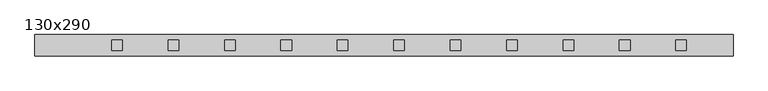
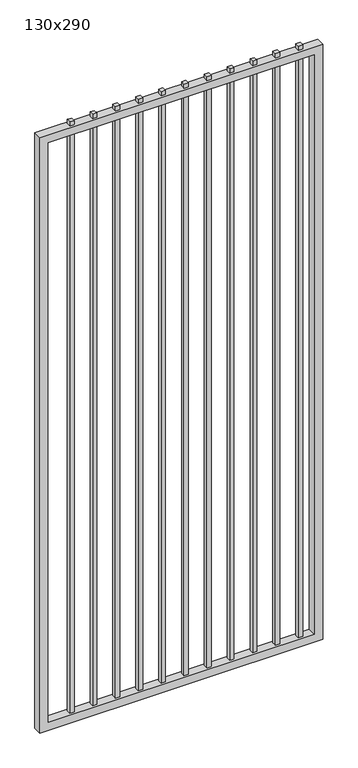
"""IFC4 building model written with IfcOpenShell, lengths in millimetres: proxy geometry, 130x290."""

from ifc_helpers import new_model, si_unit, frame, origin, place, context, project, spatial, polyline, outline, extrude, source, transform, mapped, element, save


def proxy_130x290_79da9d78(model_context):
    return source(origin(), model_context, "Body", "SweptSolid", [
        extrude(outline(polyline([(1203.325, -9.525), (1184.275, -9.525), (1184.275, 9.525), (1203.325, 9.525), (1203.325, -9.525)])), frame((0.0, 0.0, 139.7), z_axis=(0.0, 0.0, 1.0), x_axis=(1.0, 0.0, 0.0)), (0.0, 0.0, 1.0), 2780.0),
        extrude(outline(polyline([(1101.725, -9.525), (1082.675, -9.525), (1082.675, 9.525), (1101.725, 9.525), (1101.725, -9.525)])), frame((0.0, 0.0, 139.7), z_axis=(0.0, 0.0, 1.0), x_axis=(1.0, 0.0, 0.0)), (0.0, 0.0, 1.0), 2780.0),
        extrude(outline(polyline([(1000.125, -9.525), (981.075, -9.525), (981.075, 9.525), (1000.125, 9.525), (1000.125, -9.525)])), frame((0.0, 0.0, 139.7), z_axis=(0.0, 0.0, 1.0), x_axis=(1.0, 0.0, 0.0)), (0.0, 0.0, 1.0), 2780.0),
        extrude(outline(polyline([(898.525, -9.525), (879.475, -9.525), (879.475, 9.525), (898.525, 9.525), (898.525, -9.525)])), frame((0.0, 0.0, 139.7), z_axis=(0.0, 0.0, 1.0), x_axis=(1.0, 0.0, 0.0)), (0.0, 0.0, 1.0), 2780.0),
        extrude(outline(polyline([(796.925, -9.525), (777.875, -9.525), (777.875, 9.525), (796.925, 9.525), (796.925, -9.525)])), frame((0.0, 0.0, 139.7), z_axis=(0.0, 0.0, 1.0), x_axis=(1.0, 0.0, 0.0)), (0.0, 0.0, 1.0), 2780.0),
        extrude(outline(polyline([(695.325, -9.525), (676.275, -9.525), (676.275, 9.525), (695.325, 9.525), (695.325, -9.525)])), frame((0.0, 0.0, 139.7), z_axis=(0.0, 0.0, 1.0), x_axis=(1.0, 0.0, 0.0)), (0.0, 0.0, 1.0), 2780.0),
        extrude(outline(polyline([(593.725, -9.525), (574.675, -9.525), (574.675, 9.525), (593.725, 9.525), (593.725, -9.525)])), frame((0.0, 0.0, 139.7), z_axis=(0.0, 0.0, 1.0), x_axis=(1.0, 0.0, 0.0)), (0.0, 0.0, 1.0), 2780.0),
        extrude(outline(polyline([(492.125, -9.525), (473.075, -9.525), (473.075, 9.525), (492.125, 9.525), (492.125, -9.525)])), frame((0.0, 0.0, 139.7), z_axis=(0.0, 0.0, 1.0), x_axis=(1.0, 0.0, 0.0)), (0.0, 0.0, 1.0), 2780.0),
        extrude(outline(polyline([(390.525, -9.525), (371.475, -9.525), (371.475, 9.525), (390.525, 9.525), (390.525, -9.525)])), frame((0.0, 0.0, 139.7), z_axis=(0.0, 0.0, 1.0), x_axis=(1.0, 0.0, 0.0)), (0.0, 0.0, 1.0), 2780.0),
        extrude(outline(polyline([(288.925, -9.525), (269.875, -9.525), (269.875, 9.525), (288.925, 9.525), (288.925, -9.525)])), frame((0.0, 0.0, 139.7), z_axis=(0.0, 0.0, 1.0), x_axis=(1.0, 0.0, 0.0)), (0.0, 0.0, 1.0), 2780.0),
        extrude(outline(polyline([(187.325, -9.525), (168.275, -9.525), (168.275, 9.525), (187.325, 9.525), (187.325, -9.525)])), frame((0.0, 0.0, 139.7), z_axis=(0.0, 0.0, 1.0), x_axis=(1.0, 0.0, 0.0)), (0.0, 0.0, 1.0), 2780.0),
        extrude(outline(polyline([(2900.0, 1287.3), (2900.0, 30.0), (101.6, 30.0), (101.6, 1287.3), (2900.0, 1287.3)]), holes=[polyline([(139.7, 1249.2), (139.7, 68.1), (2861.9, 68.1), (2861.9, 1249.2), (139.7, 1249.2)])]), frame((0.0, -19.05, 0.0), z_axis=(0.0, 1.0, 0.0), x_axis=(0.0, 0.0, 1.0)), (0.0, 0.0, 1.0), 38.1),
    ])


if __name__ == "__main__":
    model = new_model("IFC4")
    model_context = context("Model", 3, world=origin())
    ifc_project = project(units=[si_unit("LENGTHUNIT", "METRE", prefix="MILLI")], contexts=[model_context])
    site = spatial("IfcSite", under=ifc_project)
    building = spatial("IfcBuilding", under=site)
    placement = place(None, origin())
    proxy_130x290_shape = proxy_130x290_79da9d78(model_context)
    element("IfcBuildingElementProxy", 1, Name="130x290", ObjectType="130x290", at=placement, inside=building, context=model_context, shape_type="MappedRepresentation", body=[
        mapped(proxy_130x290_shape, transform((0.0, 0.0, 0.0), x_axis=(1.0, 0.0, 0.0), y_axis=(0.0, 1.0, 0.0), z_axis=(0.0, 0.0, 1.0))),
    ])
    save(model, "model.ifc")
